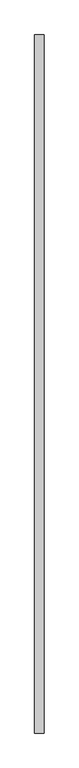
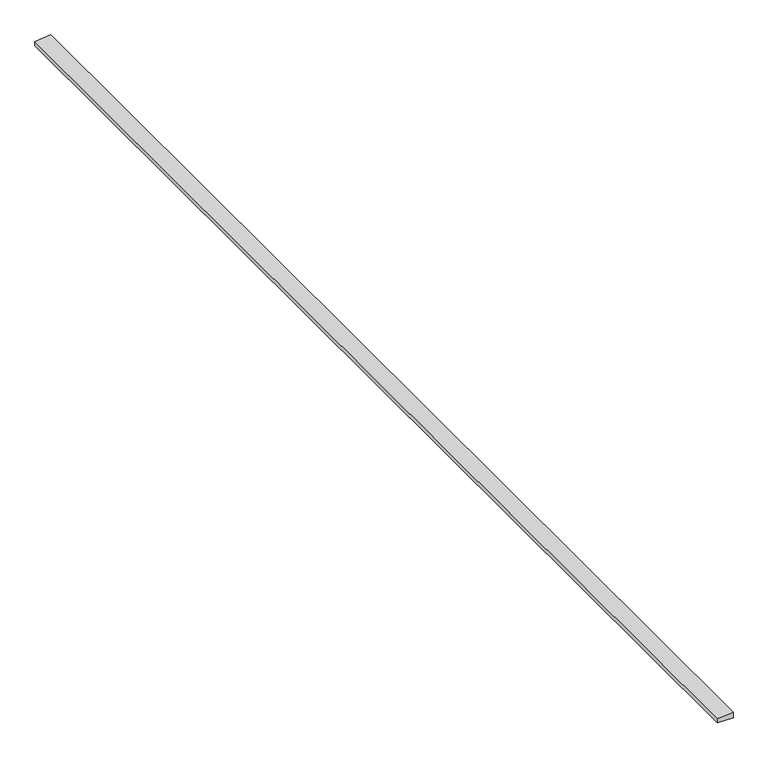
"""IFC4 building model written with IfcOpenShell, lengths in millimetres: proxy geometry."""

from ifc_helpers import new_model, si_unit, frame, origin, place, context, project, spatial, polyline, outline, extrude, source, transform, mapped, element, save


def generic_models_f1d34fcb(model_context):
    return source(origin(), model_context, "Body", "SweptSolid", [
        extrude(outline(polyline([(5713.8041999, 37594.2048373), (5689.5147181, 37594.2048373), (5689.5147181, 37683.1048373), (5721.5819421, 37683.1048373), (5713.8041999, 37594.2048373)])), frame((0.0, -25196.3529893, 0.0), z_axis=(0.0, 1.0, 0.0), x_axis=(0.0, 0.0, 1.0)), (0.0, 0.0, 1.0), 6533.92),
    ])


if __name__ == "__main__":
    model = new_model("IFC4")
    model_context = context("Model", 3, world=origin())
    ifc_project = project(units=[si_unit("LENGTHUNIT", "METRE", prefix="MILLI")], contexts=[model_context])
    site = spatial("IfcSite", under=ifc_project)
    building = spatial("IfcBuilding", under=site)
    placement = place(None, origin())
    generic_models_shape = generic_models_f1d34fcb(model_context)
    element("IfcBuildingElementProxy", 1, Name="Generic Models", at=placement, inside=building, context=model_context, shape_type="MappedRepresentation", body=[
        mapped(generic_models_shape, transform((0.0, 0.0, 0.0), x_axis=(1.0, 0.0, 0.0), y_axis=(0.0, 1.0, 0.0), z_axis=(0.0, 0.0, 1.0))),
    ])
    save(model, "model.ifc")
